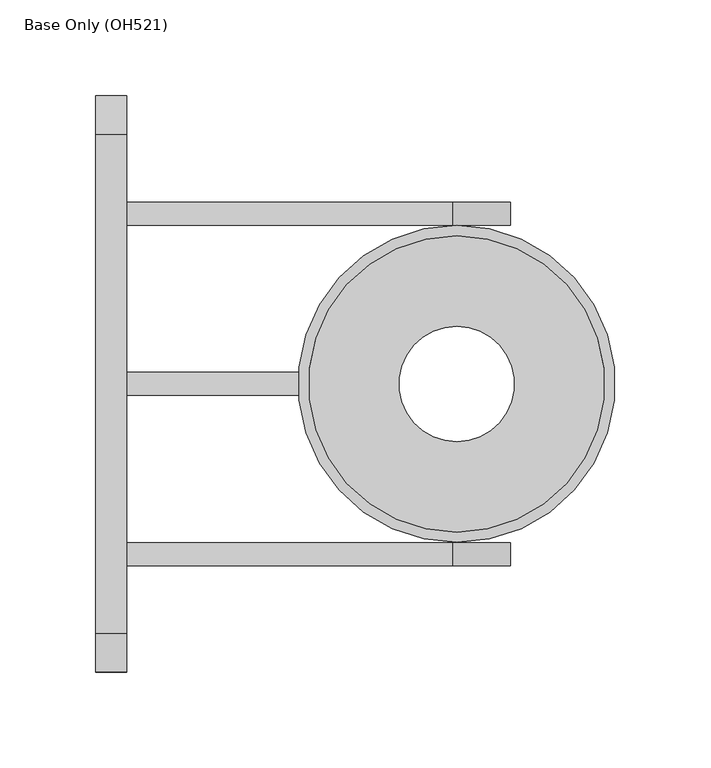
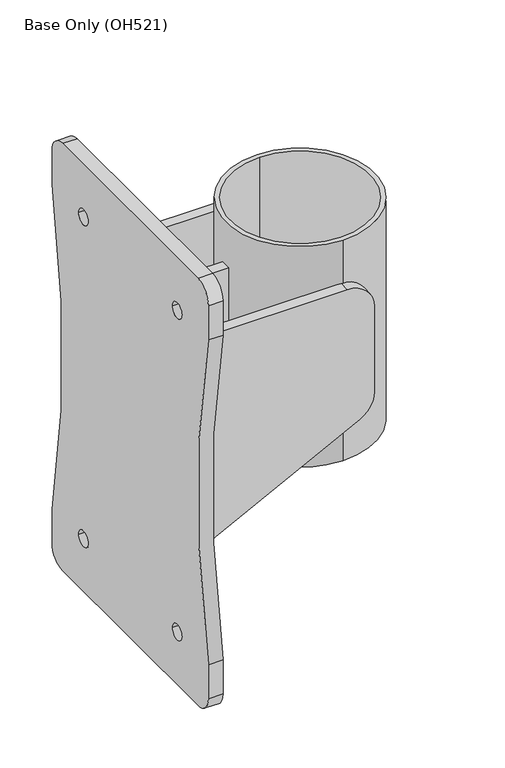
"""IFC4 building model written with IfcOpenShell, lengths in millimetres: proxy geometry, Base Only (OH521)."""

from ifc_helpers import new_model, si_unit, point, frame, frame_2d, origin, place, context, project, spatial, polyline, circle_curve, trimmed, segment, composite_curve, outline, extrude, source, transform, mapped, element, save
from ifc_brep_helpers import plane_surface, cylinder_surface, revolved_surface, advanced_brep


def base_only_oh521_b499497b(model_context):
    return source(origin(), model_context, "Body", "SolidModel", [
        advanced_brep(
        [(0.0, 82.55, 392.0), (0.0, -82.55, 392.0), (-82.3316616, -6.0, 392.0), (-52.1, -6.0, 392.0), (-52.1, 6.0, 392.0), (-82.3316616, 6.0, 392.0), (0.0, 30.0, 392.0), (0.0, -30.0, 392.0), (0.0, 82.55, 650.0), (0.0, -82.55, 650.0), (0.0, 77.15, 650.0), (0.0, -77.15, 650.0), (0.0, 77.15, 398.0), (0.0, -77.15, 398.0), (0.0, 82.55, 398.0), (-82.3316616, 6.0, 398.0), (-82.3316616, 6.0, 600.0), (-82.3316616, -6.0, 600.0), (-82.3316616, -6.0, 398.0), (0.0, -82.55, 398.0), (-172.1, -6.0, 600.0), (-172.1, -6.0, 362.0), (-91.3522101, -6.0, 362.0), (-52.1, -6.0, 382.0), (-172.1, 6.0, 600.0), (-52.1, 6.0, 382.0), (-91.3522101, 6.0, 362.0), (-172.1, 6.0, 362.0), (0.0, 30.0, 398.0), (0.0, -30.0, 398.0)],
        [
            (0, 1, circle_curve(frame((0.0, 0.0, 392.0), z_axis=(0.0, 0.0, -1.0), x_axis=(0.0, -1.0, 0.0)), 82.55)),
            (1, 2, circle_curve(frame((0.0, 0.0, 392.0), z_axis=(0.0, 0.0, -1.0), x_axis=(0.0, -1.0, 0.0)), 82.55)),
            (2, 3),
            (3, 4),
            (4, 5),
            (5, 0, circle_curve(frame((0.0, 0.0, 392.0), z_axis=(0.0, 0.0, -1.0), x_axis=(0.0, -1.0, 0.0)), 82.55)),
            (6, 7, circle_curve(frame((0.0, 0.0, 392.0), z_axis=(0.0, 0.0, 1.0), x_axis=(0.0, -1.0, 0.0)), 30.0)),
            (7, 6, circle_curve(frame((0.0, 0.0, 392.0), z_axis=(0.0, 0.0, 1.0), x_axis=(0.0, -1.0, 0.0)), 30.0)),
            (8, 9, circle_curve(frame((0.0, 0.0, 650.0), z_axis=(0.0, 0.0, 1.0), x_axis=(0.0, -1.0, 0.0)), 82.55)),
            (9, 8, circle_curve(frame((0.0, 0.0, 650.0), z_axis=(0.0, 0.0, 1.0), x_axis=(0.0, -1.0, 0.0)), 82.55)),
            (10, 11, circle_curve(frame((0.0, 0.0, 650.0), z_axis=(0.0, 0.0, -1.0), x_axis=(0.0, -1.0, 0.0)), 77.15)),
            (11, 10, circle_curve(frame((0.0, 0.0, 650.0), z_axis=(0.0, 0.0, -1.0), x_axis=(0.0, -1.0, 0.0)), 77.15)),
            (10, 12),
            (12, 13, circle_curve(frame((0.0, 0.0, 398.0), z_axis=(0.0, 0.0, -1.0), x_axis=(0.0, -1.0, 0.0)), 77.15)),
            (13, 11),
            (13, 12, circle_curve(frame((0.0, 0.0, 398.0), z_axis=(0.0, 0.0, -1.0), x_axis=(0.0, -1.0, 0.0)), 77.15)),
            (8, 14),
            (14, 0),
            (5, 15),
            (15, 16),
            (16, 17, circle_curve(frame((0.0, 0.0, 600.0), z_axis=(0.0, 0.0, 1.0), x_axis=(0.0, -1.0, 0.0)), 82.55)),
            (17, 18),
            (18, 2),
            (1, 19),
            (19, 9),
            (17, 20),
            (20, 21),
            (21, 22),
            (22, 23),
            (23, 3),
            (24, 16),
            (4, 25),
            (25, 26),
            (26, 27),
            (27, 24),
            (24, 20),
            (27, 21),
            (26, 22),
            (23, 25),
            (28, 29, circle_curve(frame((0.0, 0.0, 398.0), z_axis=(0.0, 0.0, -1.0), x_axis=(0.0, -1.0, 0.0)), 30.0)),
            (29, 28, circle_curve(frame((0.0, 0.0, 398.0), z_axis=(0.0, 0.0, -1.0), x_axis=(0.0, -1.0, 0.0)), 30.0)),
            (28, 6),
            (7, 29),
        ],
        [
            plane_surface(frame((0.0, -77.15, 392.0), z_axis=(0.0, 0.0, -1.0), x_axis=(1.0, 0.0, 0.0))),
            plane_surface(frame((0.0, -77.15, 650.0), z_axis=(0.0, 0.0, 1.0), x_axis=(-1.0, 0.0, 0.0))),
            revolved_surface(polyline([(0.0, -77.15, 398.0), (0.0, -77.15, 650.0)]), (0.0, 0.0, 392.0), (0.0, 0.0, -1.0)),
            cylinder_surface(frame((0.0, 0.0, 392.0), z_axis=(0.0, 0.0, 1.0), x_axis=(0.0, -1.0, 0.0)), 82.55),
            plane_surface(frame((-172.1, -6.0, 600.0), z_axis=(0.0, -1.0, 0.0), x_axis=(-1.0, 0.0, 0.0))),
            plane_surface(frame((-172.1, 6.0, 600.0), z_axis=(0.0, 1.0, 0.0), x_axis=(1.0, 0.0, 0.0))),
            plane_surface(frame((-79.6719643, -6.0, 600.0), z_axis=(0.0, 0.0, 1.0), x_axis=(0.0, 1.0, 0.0))),
            plane_surface(frame((-172.1, -6.0, 600.0), z_axis=(-1.0, 0.0, 0.0), x_axis=(0.0, 1.0, 0.0))),
            plane_surface(frame((-172.1, -6.0, 362.0), z_axis=(0.0, 0.0, -1.0), x_axis=(0.0, 1.0, 0.0))),
            plane_surface(frame((-52.1, -6.0, 382.0), z_axis=(1.0, 0.0, 0.0), x_axis=(0.0, 1.0, 0.0))),
            plane_surface(frame((-91.3522101, -6.0, 362.0), z_axis=(0.45399049973954453, 0.0, -0.891006524188369), x_axis=(0.0, 1.0, 0.0))),
            plane_surface(frame((0.0, -82.55, 398.0), z_axis=(0.0, 0.0, 1.0), x_axis=(1.0, 0.0, 0.0))),
            revolved_surface(polyline([(0.0, -30.0, 392.0), (0.0, -30.0, 398.0)]), (0.0, 0.0, 392.0), (0.0, 0.0, -1.0)),
        ],
        [
            (0, [[1, 2, 3, 4, 5, 6], [7, 8]]),
            (1, [[9, 10], [11, 12]]),
            (2, [[-11, 13, 14, 15]]),
            (2, [[-12, -15, 16, -13]]),
            (3, [[-9, 17, 18, -6, 19, 20, 21, 22, 23, -2, 24, 25]]),
            (3, [[-1, -18, -17, -10, -25, -24]]),
            (4, [[26, 27, 28, 29, 30, -3, -23, -22]]),
            (5, [[31, -20, -19, -5, 32, 33, 34, 35]]),
            (6, [[36, -26, -21, -31]]),
            (7, [[-36, -35, 37, -27]]),
            (8, [[-28, -37, -34, 38]]),
            (9, [[-30, 39, -32, -4]]),
            (10, [[-29, -38, -33, -39]]),
            (11, [[-14, -16], [40, 41]]),
            (12, [[-40, 42, -8, 43]]),
            (12, [[-41, -43, -7, -42]]),
        ],
    ),
        extrude(outline(composite_curve([segment(polyline([(600.0, -172.1), (350.0, -172.1), (443.5589178, 11.519715)]), True, "CONTINUOUS"), segment(trimmed(circle_curve(frame_2d((470.2891135, -2.1)), 30.0), [point((443.5589178, 11.519715))], [point((470.2891135, 27.9))], False, "CARTESIAN"), True, "CONTINUOUS"), segment(polyline([(470.2891135, 27.9), (570.0, 27.9)]), True, "CONTINUOUS"), segment(trimmed(circle_curve(frame_2d((570.0, -2.1)), 30.0), [point((570.0, 27.9))], [point((600.0, -2.1))], False, "CARTESIAN"), True, "CONTINUOUS"), segment(polyline([(600.0, -2.1), (600.0, -172.1)]), True, "CONTINUOUS")], self_intersect=False)), frame((0.0, 82.6, 0.0), z_axis=(0.0, 1.0, 0.0), x_axis=(0.0, 0.0, 1.0)), (0.0, 0.0, 1.0), 12.0),
        extrude(outline(composite_curve([segment(polyline([(600.0, -172.1), (350.0, -172.1), (443.5589178, 11.519715)]), True, "CONTINUOUS"), segment(trimmed(circle_curve(frame_2d((470.2891135, -2.1)), 30.0), [point((443.5589178, 11.519715))], [point((470.2891135, 27.9))], False, "CARTESIAN"), True, "CONTINUOUS"), segment(polyline([(470.2891135, 27.9), (570.0, 27.9)]), True, "CONTINUOUS"), segment(trimmed(circle_curve(frame_2d((570.0, -2.1)), 30.0), [point((570.0, 27.9))], [point((600.0, -2.1))], False, "CARTESIAN"), True, "CONTINUOUS"), segment(polyline([(600.0, -2.1), (600.0, -172.1)]), True, "CONTINUOUS")], self_intersect=False)), frame((0.0, -94.6, 0.0), z_axis=(0.0, 1.0, 0.0), x_axis=(0.0, 0.0, 1.0)), (0.0, 0.0, 1.0), 12.0),
        extrude(outline(composite_curve([segment(polyline([(130.0, 200.0), (-130.0, 200.0)]), True, "CONTINUOUS"), segment(trimmed(circle_curve(frame_2d((-130.0, 220.0)), 20.0), [point((-130.0, 200.0))], [point((-150.0, 220.0))], False, "CARTESIAN"), True, "CONTINUOUS"), segment(polyline([(-150.0, 220.0), (-150.0, 260.0)]), True, "CONTINUOUS"), segment(trimmed(circle_curve(frame_2d((-1042.5, 450.0)), 912.5), [point((-150.0, 260.0))], [point((-150.0, 640.0))], True, "CARTESIAN"), True, "CONTINUOUS"), segment(polyline([(-150.0, 640.0), (-150.0, 680.0)]), True, "CONTINUOUS"), segment(trimmed(circle_curve(frame_2d((-130.0, 680.0)), 20.0), [point((-150.0, 680.0))], [point((-130.0, 700.0))], False, "CARTESIAN"), True, "CONTINUOUS"), segment(polyline([(-130.0, 700.0), (130.0, 700.0)]), True, "CONTINUOUS"), segment(trimmed(circle_curve(frame_2d((130.0, 680.0)), 20.0), [point((130.0, 700.0))], [point((150.0, 680.0))], False, "CARTESIAN"), True, "CONTINUOUS"), segment(polyline([(150.0, 680.0), (150.0, 640.0)]), True, "CONTINUOUS"), segment(trimmed(circle_curve(frame_2d((1042.5, 450.0)), 912.5), [point((150.0, 640.0))], [point((150.0, 260.0))], True, "CARTESIAN"), True, "CONTINUOUS"), segment(polyline([(150.0, 260.0), (150.0, 220.0)]), True, "CONTINUOUS"), segment(trimmed(circle_curve(frame_2d((130.0, 220.0)), 20.0), [point((150.0, 220.0))], [point((130.0, 200.0))], False, "CARTESIAN"), True, "CONTINUOUS")], self_intersect=False), holes=[composite_curve([segment(trimmed(circle_curve(frame_2d((-90.0, 261.7686268)), 9.0), [point((-99.0, 261.7686268))], [point((-81.0, 261.7686268))], True, "CARTESIAN"), True, "CONTINUOUS"), segment(trimmed(circle_curve(frame_2d((-90.0, 261.7686268)), 9.0), [point((-81.0, 261.7686268))], [point((-99.0, 261.7686268))], True, "CARTESIAN"), True, "CONTINUOUS")], self_intersect=False), composite_curve([segment(trimmed(circle_curve(frame_2d((90.0, 261.7686268)), 9.0), [point((81.0, 261.7686268))], [point((99.0, 261.7686268))], True, "CARTESIAN"), True, "CONTINUOUS"), segment(trimmed(circle_curve(frame_2d((90.0, 261.7686268)), 9.0), [point((99.0, 261.7686268))], [point((81.0, 261.7686268))], True, "CARTESIAN"), True, "CONTINUOUS")], self_intersect=False), composite_curve([segment(trimmed(circle_curve(frame_2d((-90.0, 638.2313732)), 9.0), [point((-99.0, 638.2313732))], [point((-81.0, 638.2313732))], True, "CARTESIAN"), True, "CONTINUOUS"), segment(trimmed(circle_curve(frame_2d((-90.0, 638.2313732)), 9.0), [point((-81.0, 638.2313732))], [point((-99.0, 638.2313732))], True, "CARTESIAN"), True, "CONTINUOUS")], self_intersect=False), composite_curve([segment(trimmed(circle_curve(frame_2d((90.0, 638.2313732)), 9.0), [point((81.0, 638.2313732))], [point((99.0, 638.2313732))], True, "CARTESIAN"), True, "CONTINUOUS"), segment(trimmed(circle_curve(frame_2d((90.0, 638.2313732)), 9.0), [point((99.0, 638.2313732))], [point((81.0, 638.2313732))], True, "CARTESIAN"), True, "CONTINUOUS")], self_intersect=False)]), frame((-188.1, 0.0, 0.0), z_axis=(1.0, 0.0, 0.0), x_axis=(0.0, 1.0, 0.0)), (0.0, 0.0, 1.0), 16.0),
    ])


if __name__ == "__main__":
    model = new_model("IFC4")
    model_context = context("Model", 3, world=origin())
    ifc_project = project(units=[si_unit("LENGTHUNIT", "METRE", prefix="MILLI")], contexts=[model_context])
    site = spatial("IfcSite", under=ifc_project)
    building = spatial("IfcBuilding", under=site)
    placement = place(None, origin())
    base_only_oh521_shape = base_only_oh521_b499497b(model_context)
    element("IfcBuildingElementProxy", 1, Name="Base Only (OH521)", ObjectType="Base Only (OH521)", at=placement, inside=building, context=model_context, shape_type="MappedRepresentation", body=[
        mapped(base_only_oh521_shape, transform((0.0, 0.0, 0.0), x_axis=(1.0, 0.0, 0.0), y_axis=(0.0, 1.0, 0.0), z_axis=(0.0, 0.0, 1.0))),
    ])
    save(model, "model.ifc")
